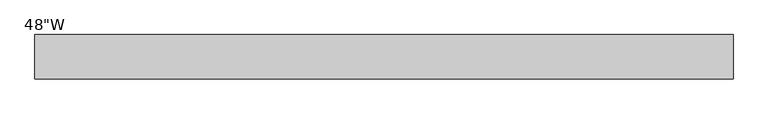
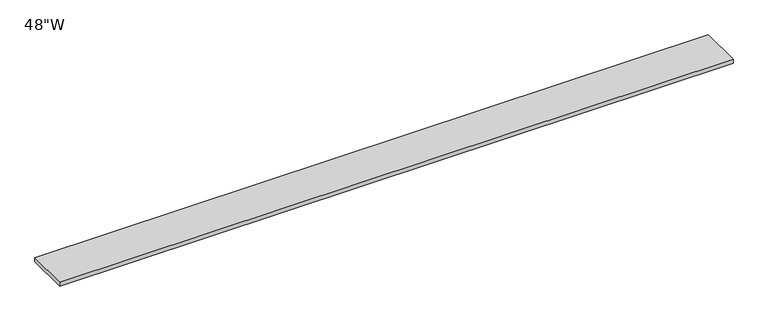
"""IFC4 building model written with IfcOpenShell, lengths in millimetres: furniture geometry."""

import ifcopenshell
import ifcopenshell.guid

model = None  # the IFC model being written
_history = None  # IfcOwnerHistory: only IFC2X3 demands one
_inside = {}  # id of a spatial element -> (the spatial element, [elements in it])
_under = {}  # id of a project, library or spatial element -> (it, [spatial elements below it])
_declared = {}  # id of a project -> (the project, [libraries it declares])
_typed = {}  # id of a type object -> (the type object, [elements of that type])
_made_of = {}  # id of a material, layer set ... -> (it, [elements and type objects made of it])


def new_model(schema):
    """Start an empty IFC model of exactly this schema.

    Asked for "IFC4X3", IfcOpenShell would pick the latest addendum, in which some entities
    have other attributes; the version numbers below select the first issue.
    IFC2X3 requires an IfcOwnerHistory on every rooted entity: one is made here for all.
    """
    global model, _history
    if schema == "IFC4X3":
        model = ifcopenshell.file(schema_version=(4, 3, 0, 0))
    else:
        model = ifcopenshell.file(schema=schema)
    _inside.clear()
    _under.clear()
    _declared.clear()
    _typed.clear()
    _made_of.clear()
    _history = None
    if model.schema == "IFC2X3":
        org = make("IfcOrganization", Name="unknown")
        user = make(
            "IfcPersonAndOrganization",
            ThePerson=make("IfcPerson", FamilyName="unknown"),
            TheOrganization=org,
        )
        app = make(
            "IfcApplication",
            ApplicationDeveloper=org,
            Version="unknown",
            ApplicationFullName="unknown",
            ApplicationIdentifier="unknown",
        )
        _history = make(
            "IfcOwnerHistory",
            OwningUser=user,
            OwningApplication=app,
            ChangeAction="ADDED",
            CreationDate=0,
        )
    return model


def make(cls, **values):
    """One entity of the class cls with the attributes given. An attribute that is None is left unset."""
    return model.create_entity(
        cls, **{name: value for name, value in values.items() if value is not None}
    )


def rooted(cls, **values):
    """An entity with a GlobalId (a new one), such as an element, a storey or a relation."""
    return make(cls, GlobalId=ifcopenshell.guid.new(), OwnerHistory=_history, **values)


def si_unit(unit_type, name, prefix=None):
    """IfcSIUnit, for example si_unit("LENGTHUNIT", "METRE", prefix="MILLI")."""
    return make("IfcSIUnit", UnitType=unit_type, Prefix=prefix, Name=name)


def assignment(units):
    """IfcUnitAssignment: the units of a project."""
    return None if units is None else make("IfcUnitAssignment", Units=units)


def point(xyz):
    """IfcCartesianPoint."""
    return None if xyz is None else make("IfcCartesianPoint", Coordinates=xyz)


def direction(xyz):
    """IfcDirection."""
    return None if xyz is None else make("IfcDirection", DirectionRatios=xyz)


def frame(location, z_axis=None, x_axis=None):
    """IfcAxis2Placement3D, a coordinate frame: its origin and axes. An axis left out is left unset."""
    return make(
        "IfcAxis2Placement3D",
        Location=point(location),
        Axis=direction(z_axis),
        RefDirection=direction(x_axis),
    )


def origin():
    """The frame at (0, 0, 0) with its axes left unset."""
    return frame((0.0, 0.0, 0.0))


def place(relative_to, where):
    """IfcLocalPlacement: puts the frame where relative to a parent placement (None: the world)."""
    return make(
        "IfcLocalPlacement", PlacementRelTo=relative_to, RelativePlacement=where
    )


def context(
    kind, dimensions, precision=None, world=None, true_north=None, identifier=None
):
    """IfcGeometricRepresentationContext, for example the 3D "Model" context."""
    return make(
        "IfcGeometricRepresentationContext",
        ContextIdentifier=identifier,
        ContextType=kind,
        CoordinateSpaceDimension=dimensions,
        Precision=precision,
        WorldCoordinateSystem=world,
        TrueNorth=true_north,
    )


def project(units=None, contexts=None):
    """IfcProject with its units and contexts."""
    return rooted(
        "IfcProject",
        Name="project",
        RepresentationContexts=contexts,
        UnitsInContext=assignment(units),
    )


def spatial(cls, under=None, at=None, **own):
    """A site, building, storey or space (cls), placed at a placement, below another one or the project."""
    s = rooted(cls, ObjectPlacement=at, **own)
    if under is not None:
        _under.setdefault(under.id(), (under, []))[1].append(s)
    return s


def polyline(points):
    """IfcPolyline through the points."""
    return make("IfcPolyline", Points=[point(p) for p in points])


def outline(outer, holes=None, kind="AREA"):
    """IfcArbitraryClosedProfileDef: a profile drawn as a closed curve; with holes, ...WithVoids."""
    if holes is None:
        return make("IfcArbitraryClosedProfileDef", ProfileType=kind, OuterCurve=outer)
    return make(
        "IfcArbitraryProfileDefWithVoids",
        ProfileType=kind,
        OuterCurve=outer,
        InnerCurves=holes,
    )


def extrude(swept, where, along, depth):
    """IfcExtrudedAreaSolid: the profile swept, set in the frame where, extruded along a direction by depth."""
    return make(
        "IfcExtrudedAreaSolid",
        SweptArea=swept,
        Position=where,
        ExtrudedDirection=direction(along),
        Depth=depth,
    )


def shape(context_of_items, identifier, shape_type, items):
    """IfcShapeRepresentation: the items that make up one representation, for example the "Body"."""
    return make(
        "IfcShapeRepresentation",
        ContextOfItems=context_of_items,
        RepresentationIdentifier=identifier,
        RepresentationType=shape_type,
        Items=items,
    )


def source(mapping_origin, context_of_items, identifier, shape_type, items):
    """IfcRepresentationMap: a shape defined once, which mapped items show again and again."""
    return make(
        "IfcRepresentationMap",
        MappingOrigin=mapping_origin,
        MappedRepresentation=shape(context_of_items, identifier, shape_type, items),
    )


def transform(
    local_origin,
    x_axis=None,
    y_axis=None,
    z_axis=None,
    scale=None,
    scale2=None,
    scale3=None,
    uniform=True,
):
    """IfcCartesianTransformationOperator3D, or its non-uniform kind. x_axis, y_axis, z_axis: its Axis1, 2, 3."""
    if uniform:
        return make(
            "IfcCartesianTransformationOperator3D",
            Axis1=direction(x_axis),
            Axis2=direction(y_axis),
            LocalOrigin=point(local_origin),
            Scale=scale,
            Axis3=direction(z_axis),
        )
    return make(
        "IfcCartesianTransformationOperator3DnonUniform",
        Axis1=direction(x_axis),
        Axis2=direction(y_axis),
        LocalOrigin=point(local_origin),
        Scale=scale,
        Axis3=direction(z_axis),
        Scale2=scale2,
        Scale3=scale3,
    )


def mapped(mapping_source, mapping_target):
    """IfcMappedItem: shows the shape of a source again, moved by a transform."""
    return make(
        "IfcMappedItem", MappingSource=mapping_source, MappingTarget=mapping_target
    )


def made_of(thing, what):
    """Note that an element or type object is made of a material, layer set ...; save() writes the relation."""
    if what is not None:
        _made_of.setdefault(what.id(), (what, []))[1].append(thing)
    return thing


def element(
    cls,
    number,
    at=None,
    inside=None,
    cuts=None,
    type_object=None,
    material=None,
    context=None,
    identifier="Body",
    shape_type=None,
    held_by="IfcProductDefinitionShape",
    body=None,
    shapes=None,
    **own,
):
    """One element of the class cls, such as IfcWall. Its Tag is "e" and its number.

    at: its placement. inside: the storey or other place that contains it. cuts: it is an
    opening in that element (IfcRelVoidsElement). A single representation is given by context,
    identifier, shape_type and body (its items); several are given by shapes. held_by: the class
    of the entity that holds the representations. save() writes the other relations.
    """
    e = rooted(cls, Tag="e%d" % number, ObjectPlacement=at, **own)
    if body is not None:
        shapes = [shape(context, identifier, shape_type, body)]
    if shapes is not None:
        e.Representation = make(held_by, Representations=shapes)
    if inside is not None:
        _inside.setdefault(inside.id(), (inside, []))[1].append(e)
    if cuts is not None:
        rooted(
            "IfcRelVoidsElement", RelatingBuildingElement=cuts, RelatedOpeningElement=e
        )
    if type_object is not None:
        _typed.setdefault(type_object.id(), (type_object, []))[1].append(e)
    return made_of(e, material)


def aggregate(whole, parts):
    """IfcRelAggregates: a whole, such as a stair, and the parts it consists of."""
    return rooted("IfcRelAggregates", RelatingObject=whole, RelatedObjects=parts)


def save(model, path):
    """Write the relations noted so far, then the file.

    IfcRelAggregates (storeys below a building ...), IfcRelContainedInSpatialStructure (elements
    in a storey), IfcRelDefinesByType, IfcRelAssociatesMaterial and IfcRelDeclares: one each for
    every whole, place, type object, material and project.
    """
    for whole, parts in _under.values():
        aggregate(whole, parts)
    for where, things in _inside.values():
        rooted(
            "IfcRelContainedInSpatialStructure",
            RelatedElements=things,
            RelatingStructure=where,
        )
    for kind, things in _typed.values():
        rooted("IfcRelDefinesByType", RelatedObjects=things, RelatingType=kind)
    for what, things in _made_of.values():
        rooted("IfcRelAssociatesMaterial", RelatedObjects=things, RelatingMaterial=what)
    for by, libraries in _declared.values():
        rooted("IfcRelDeclares", RelatingContext=by, RelatedDefinitions=libraries)
    model.write(path)


def furniture_0381e2b9(model_context):
    return source(origin(), model_context, "Body", "SweptSolid", [
        extrude(outline(polyline([(553.61205, 38.735), (553.61205, -38.735), (-665.58795, -38.735), (-665.58795, 38.735), (553.61205, 38.735)])), frame((0.0, 0.0, 1607.566), z_axis=(0.0, 0.0, 1.0), x_axis=(1.0, 0.0, 0.0)), (0.0, 0.0, 1.0), 6.858),
    ])


if __name__ == "__main__":
    model = new_model("IFC4")
    model_context = context("Model", 3, world=origin())
    ifc_project = project(units=[si_unit("LENGTHUNIT", "METRE", prefix="MILLI")], contexts=[model_context])
    site = spatial("IfcSite", under=ifc_project)
    building = spatial("IfcBuilding", under=site)
    placement = place(None, origin())
    furniture_shape = furniture_0381e2b9(model_context)
    element("IfcFurniture", 1, ObjectType="48\"W", at=placement, inside=building, context=model_context, shape_type="MappedRepresentation", body=[
        mapped(furniture_shape, transform((0.0, 0.0, 0.0), x_axis=(1.0, 0.0, 0.0), y_axis=(0.0, 1.0, 0.0), z_axis=(0.0, 0.0, 1.0))),
    ])
    save(model, "model.ifc")
